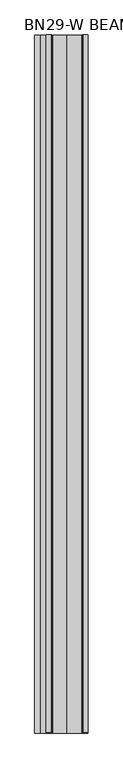
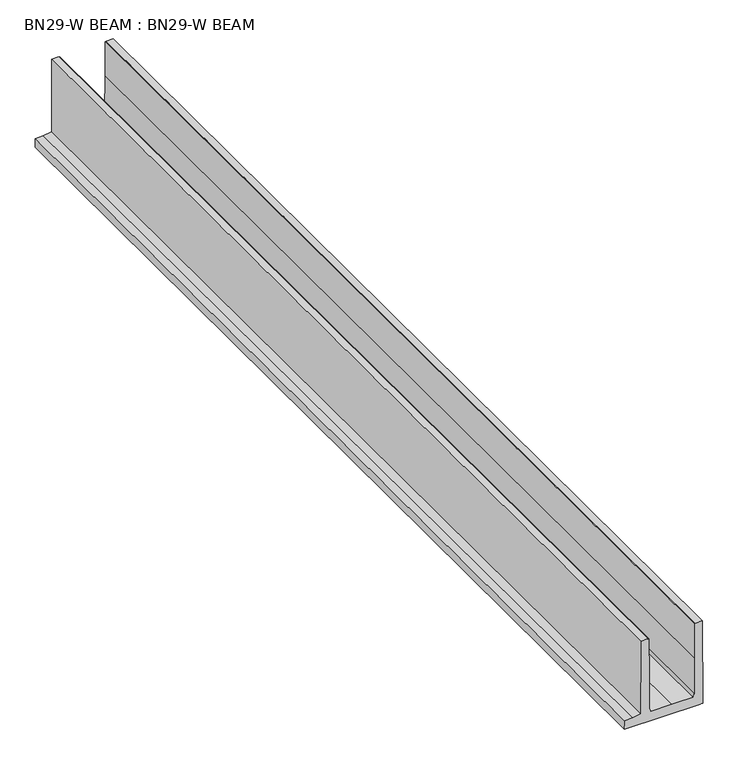
"""IFC4 building model written with IfcOpenShell, lengths in millimetres: proxy geometry, BN29-W BEAM : BN29-W BEAM."""

from ifc_helpers import new_model, si_unit, frame, origin, place, context, project, spatial, polyline, outline, extrude, source, transform, mapped, element, save


def bn29_w_beam_bn29_w_beam_9347031a(model_context):
    return source(origin(), model_context, "Body", "SweptSolid", [
        extrude(outline(polyline([(0.0, 0.0), (0.0, -2100.0), (-40.0, -2100.0), (-50.0, -2090.0), (-60.0, -2100.0), (-1890.0, -2100.0), (-1890.0, -1879.9999999), (-1690.0, -1879.9999999), (-1490.0, -1850.0), (-1490.0, 0.0), (-1320.0, 0.0), (-1320.0, -10.0), (-1290.0, -10.0), (-1290.0, -869.9999999), (-1285.0, -1772.6999999), (-1253.0, -1859.7), (-745.0, -1869.9999999), (-237.0, -1859.7), (-205.0, -1772.6999999), (-200.0, -870.0), (-200.0, -10.0), (-170.0, -10.0), (-170.0, 0.0), (0.0, 0.0)])), frame((0.0, 24630.163286, 2001.9841425), z_axis=(0.0, -0.9999920791763943, 0.00398014880023163), x_axis=(1.0, 0.0, 0.0)), (0.0, 0.0, 1.0), 24622.0),
    ])


if __name__ == "__main__":
    model = new_model("IFC4")
    model_context = context("Model", 3, world=origin())
    ifc_project = project(units=[si_unit("LENGTHUNIT", "METRE", prefix="MILLI")], contexts=[model_context])
    site = spatial("IfcSite", under=ifc_project)
    building = spatial("IfcBuilding", under=site)
    placement = place(None, origin())
    bn29_w_beam_bn29_w_beam_shape = bn29_w_beam_bn29_w_beam_9347031a(model_context)
    element("IfcBuildingElementProxy", 1, Name="BN29-W BEAM : BN29-W BEAM", ObjectType="BN29-W BEAM : BN29-W BEAM", at=placement, inside=building, context=model_context, shape_type="MappedRepresentation", body=[
        mapped(bn29_w_beam_bn29_w_beam_shape, transform((0.0, 0.0, 0.0), x_axis=(1.0, 0.0, 0.0), y_axis=(0.0, 1.0, 0.0), z_axis=(0.0, 0.0, 1.0))),
    ])
    save(model, "model.ifc")
